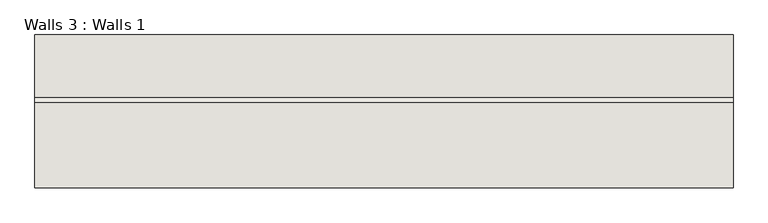
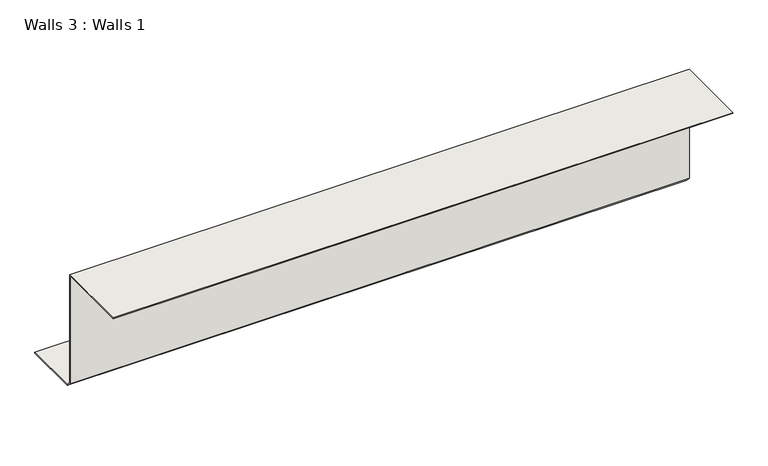
"""IFC4 building model written with IfcOpenShell, lengths in millimetres: wall geometry, Walls 3 : Walls 1."""

from ifc_helpers import new_model, si_unit, frame, origin, place, context, project, spatial, polyline, outline, extrude, source, transform, mapped, element, save


def walls_3_walls_1_0de6c71a(model_context):
    return source(origin(), model_context, "Body", "SweptSolid", [
        extrude(outline(polyline([(5111.957882, 457.2), (4824.4520298, 457.2), (4824.4520298, 460.375), (5115.132882, 460.375), (5115.132882, 20.3651281), (5132.3230101, 3.175), (5346.907882, 3.175), (5346.907882, 0.0), (5131.007882, 0.0), (5111.957882, 19.05), (5111.957882, 457.2)])), frame((-2955.2207489, 0.0, 0.0), z_axis=(1.0, 0.0, 0.0), x_axis=(0.0, 1.0, 0.0)), (0.0, 0.0, 1.0), 2387.6),
    ])


if __name__ == "__main__":
    model = new_model("IFC4")
    model_context = context("Model", 3, world=origin())
    ifc_project = project(units=[si_unit("LENGTHUNIT", "METRE", prefix="MILLI")], contexts=[model_context])
    site = spatial("IfcSite", under=ifc_project)
    building = spatial("IfcBuilding", under=site)
    placement = place(None, origin())
    walls_3_walls_1_shape = walls_3_walls_1_0de6c71a(model_context)
    element("IfcWall", 1, ObjectType="Walls 3 : Walls 1", at=placement, inside=building, context=model_context, shape_type="MappedRepresentation", body=[
        mapped(walls_3_walls_1_shape, transform((0.0, 0.0, 0.0), x_axis=(1.0, 0.0, 0.0), y_axis=(0.0, 1.0, 0.0), z_axis=(0.0, 0.0, 1.0))),
    ])
    save(model, "model.ifc")
